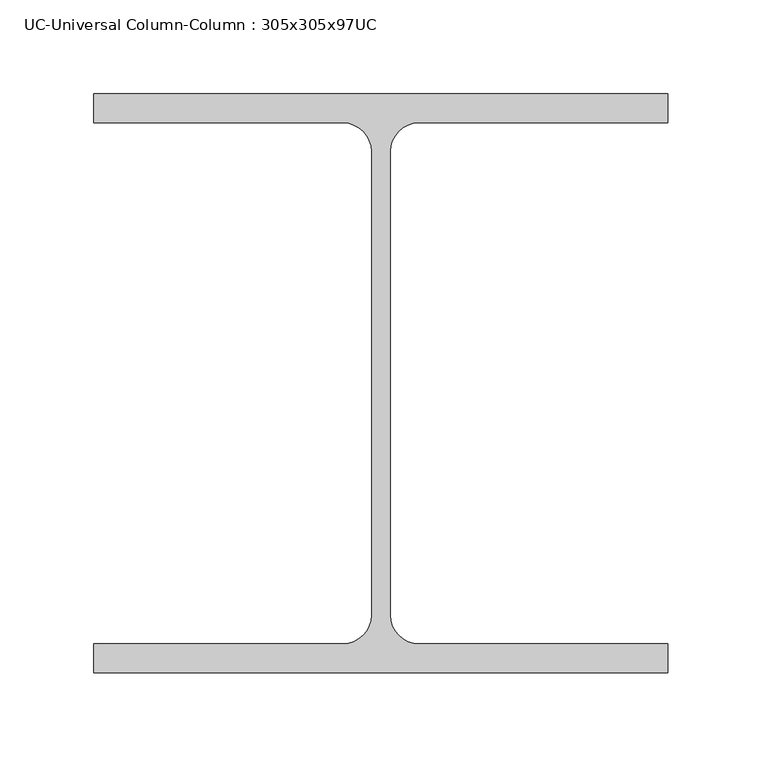
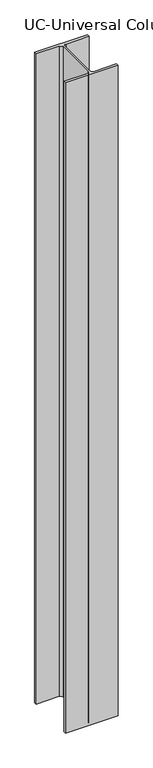
"""IFC4 building model written with IfcOpenShell, lengths in millimetres: column geometry, UC-Universal Column-Column : 305x305x97UC."""

import ifcopenshell
import ifcopenshell.guid

model = None  # the IFC model being written
_history = None  # IfcOwnerHistory: only IFC2X3 demands one
_inside = {}  # id of a spatial element -> (the spatial element, [elements in it])
_under = {}  # id of a project, library or spatial element -> (it, [spatial elements below it])
_declared = {}  # id of a project -> (the project, [libraries it declares])
_typed = {}  # id of a type object -> (the type object, [elements of that type])
_made_of = {}  # id of a material, layer set ... -> (it, [elements and type objects made of it])


def new_model(schema):
    """Start an empty IFC model of exactly this schema.

    Asked for "IFC4X3", IfcOpenShell would pick the latest addendum, in which some entities
    have other attributes; the version numbers below select the first issue.
    IFC2X3 requires an IfcOwnerHistory on every rooted entity: one is made here for all.
    """
    global model, _history
    if schema == "IFC4X3":
        model = ifcopenshell.file(schema_version=(4, 3, 0, 0))
    else:
        model = ifcopenshell.file(schema=schema)
    _inside.clear()
    _under.clear()
    _declared.clear()
    _typed.clear()
    _made_of.clear()
    _history = None
    if model.schema == "IFC2X3":
        org = make("IfcOrganization", Name="unknown")
        user = make(
            "IfcPersonAndOrganization",
            ThePerson=make("IfcPerson", FamilyName="unknown"),
            TheOrganization=org,
        )
        app = make(
            "IfcApplication",
            ApplicationDeveloper=org,
            Version="unknown",
            ApplicationFullName="unknown",
            ApplicationIdentifier="unknown",
        )
        _history = make(
            "IfcOwnerHistory",
            OwningUser=user,
            OwningApplication=app,
            ChangeAction="ADDED",
            CreationDate=0,
        )
    return model


def make(cls, **values):
    """One entity of the class cls with the attributes given. An attribute that is None is left unset."""
    return model.create_entity(
        cls, **{name: value for name, value in values.items() if value is not None}
    )


def rooted(cls, **values):
    """An entity with a GlobalId (a new one), such as an element, a storey or a relation."""
    return make(cls, GlobalId=ifcopenshell.guid.new(), OwnerHistory=_history, **values)


def si_unit(unit_type, name, prefix=None):
    """IfcSIUnit, for example si_unit("LENGTHUNIT", "METRE", prefix="MILLI")."""
    return make("IfcSIUnit", UnitType=unit_type, Prefix=prefix, Name=name)


def assignment(units):
    """IfcUnitAssignment: the units of a project."""
    return None if units is None else make("IfcUnitAssignment", Units=units)


def point(xyz):
    """IfcCartesianPoint."""
    return None if xyz is None else make("IfcCartesianPoint", Coordinates=xyz)


def direction(xyz):
    """IfcDirection."""
    return None if xyz is None else make("IfcDirection", DirectionRatios=xyz)


def frame(location, z_axis=None, x_axis=None):
    """IfcAxis2Placement3D, a coordinate frame: its origin and axes. An axis left out is left unset."""
    return make(
        "IfcAxis2Placement3D",
        Location=point(location),
        Axis=direction(z_axis),
        RefDirection=direction(x_axis),
    )


def frame_2d(location, x_axis=None):
    """IfcAxis2Placement2D, a coordinate frame in the plane: its origin and x axis."""
    return make(
        "IfcAxis2Placement2D", Location=point(location), RefDirection=direction(x_axis)
    )


def origin():
    """The frame at (0, 0, 0) with its axes left unset."""
    return frame((0.0, 0.0, 0.0))


def place(relative_to, where):
    """IfcLocalPlacement: puts the frame where relative to a parent placement (None: the world)."""
    return make(
        "IfcLocalPlacement", PlacementRelTo=relative_to, RelativePlacement=where
    )


def context(
    kind, dimensions, precision=None, world=None, true_north=None, identifier=None
):
    """IfcGeometricRepresentationContext, for example the 3D "Model" context."""
    return make(
        "IfcGeometricRepresentationContext",
        ContextIdentifier=identifier,
        ContextType=kind,
        CoordinateSpaceDimension=dimensions,
        Precision=precision,
        WorldCoordinateSystem=world,
        TrueNorth=true_north,
    )


def project(units=None, contexts=None):
    """IfcProject with its units and contexts."""
    return rooted(
        "IfcProject",
        Name="project",
        RepresentationContexts=contexts,
        UnitsInContext=assignment(units),
    )


def spatial(cls, under=None, at=None, **own):
    """A site, building, storey or space (cls), placed at a placement, below another one or the project."""
    s = rooted(cls, ObjectPlacement=at, **own)
    if under is not None:
        _under.setdefault(under.id(), (under, []))[1].append(s)
    return s


def polyline(points):
    """IfcPolyline through the points."""
    return make("IfcPolyline", Points=[point(p) for p in points])


def circle_curve(where, radius):
    """IfcCircle in the frame where."""
    return make("IfcCircle", Position=where, Radius=radius)


def trimmed(basis, trim1, trim2, sense, master):
    """IfcTrimmedCurve: the piece of a basis curve between two trims."""
    return make(
        "IfcTrimmedCurve",
        BasisCurve=basis,
        Trim1=trim1,
        Trim2=trim2,
        SenseAgreement=sense,
        MasterRepresentation=master,
    )


def segment(curve, same_sense, transition):
    """IfcCompositeCurveSegment."""
    return make(
        "IfcCompositeCurveSegment",
        Transition=transition,
        SameSense=same_sense,
        ParentCurve=curve,
    )


def composite_curve(segments, self_intersect=None):
    """IfcCompositeCurve: segments joined end to end."""
    return make("IfcCompositeCurve", Segments=segments, SelfIntersect=self_intersect)


def outline(outer, holes=None, kind="AREA"):
    """IfcArbitraryClosedProfileDef: a profile drawn as a closed curve; with holes, ...WithVoids."""
    if holes is None:
        return make("IfcArbitraryClosedProfileDef", ProfileType=kind, OuterCurve=outer)
    return make(
        "IfcArbitraryProfileDefWithVoids",
        ProfileType=kind,
        OuterCurve=outer,
        InnerCurves=holes,
    )


def extrude(swept, where, along, depth):
    """IfcExtrudedAreaSolid: the profile swept, set in the frame where, extruded along a direction by depth."""
    return make(
        "IfcExtrudedAreaSolid",
        SweptArea=swept,
        Position=where,
        ExtrudedDirection=direction(along),
        Depth=depth,
    )


def shape(context_of_items, identifier, shape_type, items):
    """IfcShapeRepresentation: the items that make up one representation, for example the "Body"."""
    return make(
        "IfcShapeRepresentation",
        ContextOfItems=context_of_items,
        RepresentationIdentifier=identifier,
        RepresentationType=shape_type,
        Items=items,
    )


def source(mapping_origin, context_of_items, identifier, shape_type, items):
    """IfcRepresentationMap: a shape defined once, which mapped items show again and again."""
    return make(
        "IfcRepresentationMap",
        MappingOrigin=mapping_origin,
        MappedRepresentation=shape(context_of_items, identifier, shape_type, items),
    )


def transform(
    local_origin,
    x_axis=None,
    y_axis=None,
    z_axis=None,
    scale=None,
    scale2=None,
    scale3=None,
    uniform=True,
):
    """IfcCartesianTransformationOperator3D, or its non-uniform kind. x_axis, y_axis, z_axis: its Axis1, 2, 3."""
    if uniform:
        return make(
            "IfcCartesianTransformationOperator3D",
            Axis1=direction(x_axis),
            Axis2=direction(y_axis),
            LocalOrigin=point(local_origin),
            Scale=scale,
            Axis3=direction(z_axis),
        )
    return make(
        "IfcCartesianTransformationOperator3DnonUniform",
        Axis1=direction(x_axis),
        Axis2=direction(y_axis),
        LocalOrigin=point(local_origin),
        Scale=scale,
        Axis3=direction(z_axis),
        Scale2=scale2,
        Scale3=scale3,
    )


def mapped(mapping_source, mapping_target):
    """IfcMappedItem: shows the shape of a source again, moved by a transform."""
    return make(
        "IfcMappedItem", MappingSource=mapping_source, MappingTarget=mapping_target
    )


def made_of(thing, what):
    """Note that an element or type object is made of a material, layer set ...; save() writes the relation."""
    if what is not None:
        _made_of.setdefault(what.id(), (what, []))[1].append(thing)
    return thing


def element(
    cls,
    number,
    at=None,
    inside=None,
    cuts=None,
    type_object=None,
    material=None,
    context=None,
    identifier="Body",
    shape_type=None,
    held_by="IfcProductDefinitionShape",
    body=None,
    shapes=None,
    **own,
):
    """One element of the class cls, such as IfcWall. Its Tag is "e" and its number.

    at: its placement. inside: the storey or other place that contains it. cuts: it is an
    opening in that element (IfcRelVoidsElement). A single representation is given by context,
    identifier, shape_type and body (its items); several are given by shapes. held_by: the class
    of the entity that holds the representations. save() writes the other relations.
    """
    e = rooted(cls, Tag="e%d" % number, ObjectPlacement=at, **own)
    if body is not None:
        shapes = [shape(context, identifier, shape_type, body)]
    if shapes is not None:
        e.Representation = make(held_by, Representations=shapes)
    if inside is not None:
        _inside.setdefault(inside.id(), (inside, []))[1].append(e)
    if cuts is not None:
        rooted(
            "IfcRelVoidsElement", RelatingBuildingElement=cuts, RelatedOpeningElement=e
        )
    if type_object is not None:
        _typed.setdefault(type_object.id(), (type_object, []))[1].append(e)
    return made_of(e, material)


def aggregate(whole, parts):
    """IfcRelAggregates: a whole, such as a stair, and the parts it consists of."""
    return rooted("IfcRelAggregates", RelatingObject=whole, RelatedObjects=parts)


def save(model, path):
    """Write the relations noted so far, then the file.

    IfcRelAggregates (storeys below a building ...), IfcRelContainedInSpatialStructure (elements
    in a storey), IfcRelDefinesByType, IfcRelAssociatesMaterial and IfcRelDeclares: one each for
    every whole, place, type object, material and project.
    """
    for whole, parts in _under.values():
        aggregate(whole, parts)
    for where, things in _inside.values():
        rooted(
            "IfcRelContainedInSpatialStructure",
            RelatedElements=things,
            RelatingStructure=where,
        )
    for kind, things in _typed.values():
        rooted("IfcRelDefinesByType", RelatedObjects=things, RelatingType=kind)
    for what, things in _made_of.values():
        rooted("IfcRelAssociatesMaterial", RelatedObjects=things, RelatingMaterial=what)
    for by, libraries in _declared.values():
        rooted("IfcRelDeclares", RelatingContext=by, RelatedDefinitions=libraries)
    model.write(path)


def uc_universal_column_column_305x305x97uc_457821ee(model_context):
    return source(origin(), model_context, "Body", "SweptSolid", [
        extrude(outline(composite_curve([segment(polyline([(152.65, 153.95), (152.65, 138.55), (20.15, 138.55)]), True, "CONTINUOUS"), segment(trimmed(circle_curve(frame_2d((20.15, 123.35)), 15.2), [point((20.15, 138.55))], [point((4.95, 123.35))], True, "CARTESIAN"), True, "CONTINUOUS"), segment(polyline([(4.95, 123.35), (4.95, -123.35)]), True, "CONTINUOUS"), segment(trimmed(circle_curve(frame_2d((20.15, -123.35)), 15.2), [point((4.95, -123.35))], [point((20.15, -138.55))], True, "CARTESIAN"), True, "CONTINUOUS"), segment(polyline([(20.15, -138.55), (152.65, -138.55), (152.65, -153.95), (-152.65, -153.95), (-152.65, -138.55), (-20.15, -138.55)]), True, "CONTINUOUS"), segment(trimmed(circle_curve(frame_2d((-20.15, -123.35)), 15.2), [point((-20.15, -138.55))], [point((-4.95, -123.35))], True, "CARTESIAN"), True, "CONTINUOUS"), segment(polyline([(-4.95, -123.35), (-4.95, 123.35)]), True, "CONTINUOUS"), segment(trimmed(circle_curve(frame_2d((-20.15, 123.35)), 15.2), [point((-4.95, 123.35))], [point((-20.15, 138.55))], True, "CARTESIAN"), True, "CONTINUOUS"), segment(polyline([(-20.15, 138.55), (-152.65, 138.55), (-152.65, 153.95), (152.65, 153.95)]), True, "CONTINUOUS")], self_intersect=False)), frame((0.0, 0.0, 7950.0), z_axis=(0.0, 0.0, 1.0), x_axis=(1.0, 0.0, 0.0)), (0.0, 0.0, 1.0), 3975.0),
    ])


if __name__ == "__main__":
    model = new_model("IFC4")
    model_context = context("Model", 3, world=origin())
    ifc_project = project(units=[si_unit("LENGTHUNIT", "METRE", prefix="MILLI")], contexts=[model_context])
    site = spatial("IfcSite", under=ifc_project)
    building = spatial("IfcBuilding", under=site)
    placement = place(None, origin())
    uc_universal_column_column_305x305x97uc_shape = uc_universal_column_column_305x305x97uc_457821ee(model_context)
    element("IfcColumn", 1, ObjectType="UC-Universal Column-Column : 305x305x97UC", at=placement, inside=building, context=model_context, shape_type="MappedRepresentation", body=[
        mapped(uc_universal_column_column_305x305x97uc_shape, transform((0.0, 0.0, 0.0), x_axis=(1.0, 0.0, 0.0), y_axis=(0.0, 1.0, 0.0), z_axis=(0.0, 0.0, 1.0))),
    ])
    save(model, "model.ifc")
